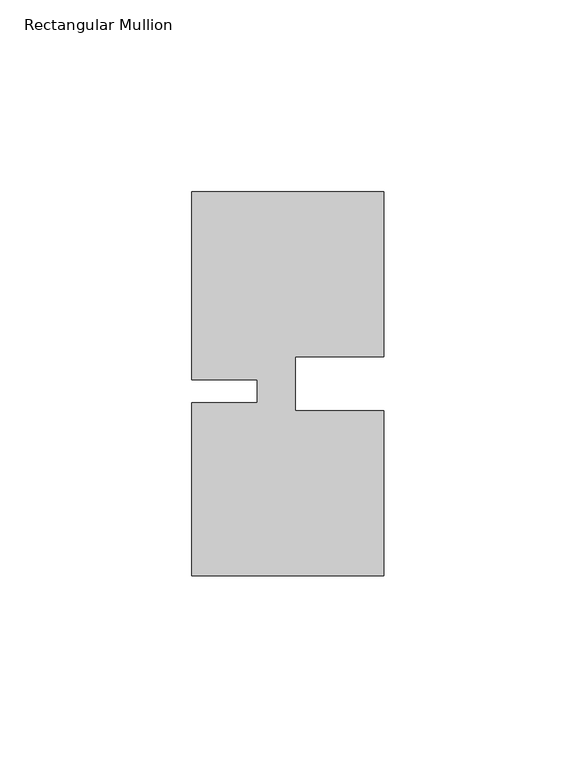
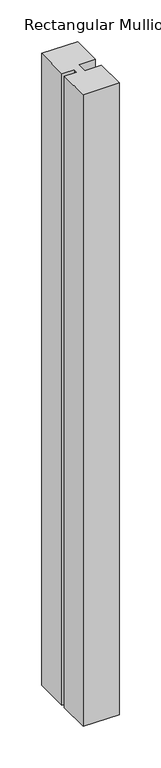
"""IFC4 building model written with IfcOpenShell, lengths in millimetres: member geometry, Rectangular Mullion."""

from ifc_helpers import new_model, si_unit, frame, origin, place, context, project, spatial, polyline, outline, extrude, source, transform, mapped, element, save


def rectangular_mullion_bb4f1e2e(model_context):
    return source(origin(), model_context, "Body", "SweptSolid", [
        extrude(outline(polyline([(-23.0000341, -5.000031), (-4.2e-06, -5.0000287), (0.0, -48.0000271), (-50.0, -48.000032), (-50.0000044, -3.000032), (-33.0004661, -3.0000303), (-33.0004667, 2.999987), (-50.000005, 2.9999853), (-50.0000098, 51.999968), (-3.44e-05, 51.999968), (-3.44e-05, 8.9999707), (-23.0000354, 8.9999684), (-23.0000341, -5.000031)])), frame((0.0, 0.0, -927.9988652), z_axis=(0.0, 0.0, 1.0), x_axis=(1.0, 0.0, 0.0)), (0.0, 0.0, 1.0), 927.9988652),
    ])


if __name__ == "__main__":
    model = new_model("IFC4")
    model_context = context("Model", 3, world=origin())
    ifc_project = project(units=[si_unit("LENGTHUNIT", "METRE", prefix="MILLI")], contexts=[model_context])
    site = spatial("IfcSite", under=ifc_project)
    building = spatial("IfcBuilding", under=site)
    placement = place(None, origin())
    rectangular_mullion_shape = rectangular_mullion_bb4f1e2e(model_context)
    element("IfcMember", 1, ObjectType="Rectangular Mullion", at=placement, inside=building, context=model_context, shape_type="MappedRepresentation", body=[
        mapped(rectangular_mullion_shape, transform((0.0, 0.0, 0.0), x_axis=(1.0, 0.0, 0.0), y_axis=(0.0, 1.0, 0.0), z_axis=(0.0, 0.0, 1.0))),
    ])
    save(model, "model.ifc")
